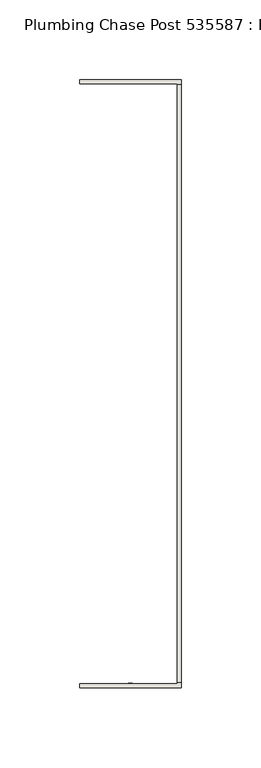
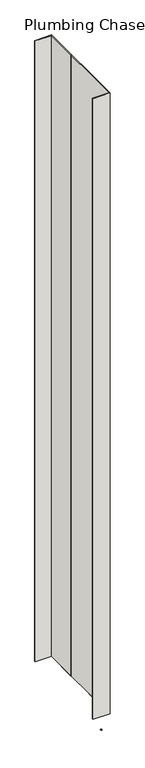
"""IFC4 building model written with IfcOpenShell, lengths in millimetres: wall geometry, Plumbing Chase Post 535587 : Plumbing Chase Post 535587."""

from ifc_helpers import new_model, si_unit, frame, origin, place, context, project, spatial, polyline, outline, extrude, source, transform, mapped, element, save


def plumbing_chase_post_535587_plumbing_chase_post_535587_460424fb(model_context):
    return source(origin(), model_context, "Body", "SweptSolid", [
        extrude(outline(polyline([(44102.7108038, -52551.7677944), (44102.7108038, -52549.2277944), (44105.2508038, -52549.2277944), (44105.2508038, -52551.7677944), (44102.7108038, -52551.7677944)])), frame((0.0, 0.0, 4419.6), z_axis=(0.0, 0.0, 1.0), x_axis=(1.0, 0.0, 0.0)), (0.0, 0.0, 1.0), 2.54),
        extrude(outline(polyline([(44135.9788602, -52173.4541492), (44135.9788602, -52549.0715336), (44133.3123428, -52549.0715336), (44133.3123428, -52173.4541492), (44135.9788602, -52173.4541492)])), frame((0.0, 0.0, 4474.8958), z_axis=(0.0, 0.0, 1.0), x_axis=(1.0, 0.0, 0.0)), (0.0, 0.0, 1.0), 2481.1482254),
        extrude(outline(polyline([(44135.9788602, -52173.4541492), (44135.9788602, -52549.0715336), (44133.3123428, -52549.0715336), (44133.3123428, -52173.4541492), (44135.9788602, -52173.4541492)])), frame((0.0, 0.0, 4474.8958), z_axis=(0.0, 0.0, 1.0), x_axis=(1.0, 0.0, 0.0)), (0.0, 0.0, 1.0), 2481.1482254),
        extrude(outline(polyline([(44135.9788602, -52170.0248952), (44135.9788602, -52303.3748952), (44133.3123428, -52303.3748952), (44133.3123428, -52172.6665968), (44071.9703522, -52172.6914126), (44071.9703522, -52170.0248952), (44135.9788602, -52170.0248952)])), frame((0.0, 0.0, 4474.8958), z_axis=(0.0, 0.0, 1.0), x_axis=(1.0, 0.0, 0.0)), (0.0, 0.0, 1.0), 2481.1482254),
        extrude(outline(polyline([(44135.9788602, -52170.0248952), (44135.9788602, -52303.3748952), (44133.3123428, -52303.3748952), (44133.3123428, -52172.6665968), (44071.9703522, -52172.6914126), (44071.9703522, -52170.0248952), (44135.9788602, -52170.0248952)])), frame((0.0, 0.0, 4474.8958), z_axis=(0.0, 0.0, 1.0), x_axis=(1.0, 0.0, 0.0)), (0.0, 0.0, 1.0), 2481.1482254),
        extrude(outline(polyline([(44133.3123428, -52419.175578), (44135.9788602, -52419.175578), (44135.9788602, -52552.525578), (44071.9703522, -52552.525578), (44071.9703522, -52549.859086), (44133.3123428, -52549.859086), (44133.3123428, -52419.175578)])), frame((0.0, 0.0, 4474.8958), z_axis=(0.0, 0.0, 1.0), x_axis=(1.0, 0.0, 0.0)), (0.0, 0.0, 1.0), 2481.1482254),
        extrude(outline(polyline([(44133.3123428, -52419.175578), (44135.9788602, -52419.175578), (44135.9788602, -52552.525578), (44071.9703522, -52552.525578), (44071.9703522, -52549.859086), (44133.3123428, -52549.859086), (44133.3123428, -52419.175578)])), frame((0.0, 0.0, 4474.8958), z_axis=(0.0, 0.0, 1.0), x_axis=(1.0, 0.0, 0.0)), (0.0, 0.0, 1.0), 2481.1482254),
    ])


if __name__ == "__main__":
    model = new_model("IFC4")
    model_context = context("Model", 3, world=origin())
    ifc_project = project(units=[si_unit("LENGTHUNIT", "METRE", prefix="MILLI")], contexts=[model_context])
    site = spatial("IfcSite", under=ifc_project)
    building = spatial("IfcBuilding", under=site)
    placement = place(None, origin())
    plumbing_chase_post_535587_plumbing_chase_post_535587_shape = plumbing_chase_post_535587_plumbing_chase_post_535587_460424fb(model_context)
    element("IfcWall", 1, ObjectType="Plumbing Chase Post 535587 : Plumbing Chase Post 535587", at=placement, inside=building, context=model_context, shape_type="MappedRepresentation", body=[
        mapped(plumbing_chase_post_535587_plumbing_chase_post_535587_shape, transform((0.0, 0.0, 0.0), x_axis=(1.0, 0.0, 0.0), y_axis=(0.0, 1.0, 0.0), z_axis=(0.0, 0.0, 1.0))),
    ])
    save(model, "model.ifc")
